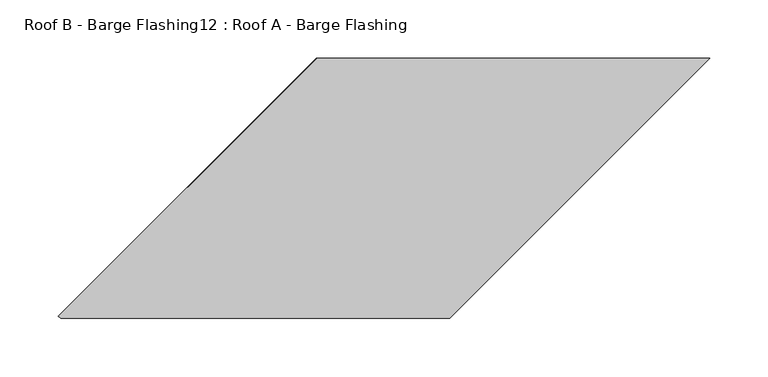
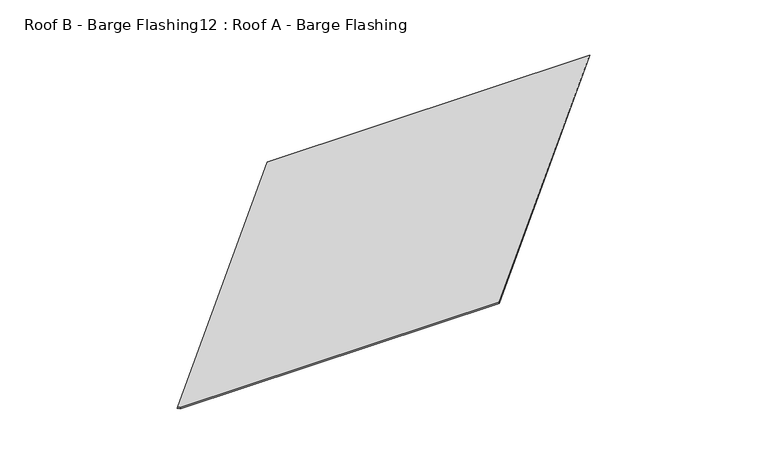
"""IFC4 building model written with IfcOpenShell, lengths in millimetres: proxy geometry, Roof B - Barge Flashing12 : Roof A - Barge Flashing."""

from ifc_helpers import new_model, si_unit, origin, place, context, project, spatial, faceted_brep, source, transform, mapped, element, save


def roof_b_barge_flashing12_roof_a_barge_flashing_d1e78f4f(model_context):
    return source(origin(), model_context, "Body", "Brep", [
        faceted_brep([(45618.7574475, -3322.1300754, 3147.9403681), (45397.2573519, -3543.6301709, 3088.5895964), (45399.0500008, -3545.4228199, 3088.1092575), (45733.0464631, -3545.4228199, 3088.1092575), (45956.3392076, -3322.1300754, 3147.9403681), (45397.0502967, -3543.4231157, 3086.9886348), (45618.343337, -3322.1300754, 3146.2839262), (45955.9250971, -3322.1300754, 3146.2839262), (45732.6323526, -3545.4228199, 3086.4528156), (45399.0500008, -3545.4228199, 3086.4528156)], [[[0, 1, 2, 3, 4]], [[5, 1, 0, 6]], [[5, 6, 7, 8, 9]], [[7, 4, 3, 8]], [[1, 5, 9, 2]], [[0, 4, 7, 6]], [[3, 2, 9, 8]]]),
    ])


if __name__ == "__main__":
    model = new_model("IFC4")
    model_context = context("Model", 3, world=origin())
    ifc_project = project(units=[si_unit("LENGTHUNIT", "METRE", prefix="MILLI")], contexts=[model_context])
    site = spatial("IfcSite", under=ifc_project)
    building = spatial("IfcBuilding", under=site)
    placement = place(None, origin())
    roof_b_barge_flashing12_roof_a_barge_flashing_shape = roof_b_barge_flashing12_roof_a_barge_flashing_d1e78f4f(model_context)
    element("IfcBuildingElementProxy", 1, Name="Roof B - Barge Flashing12 : Roof A - Barge Flashing", ObjectType="Roof B - Barge Flashing12 : Roof A - Barge Flashing", at=placement, inside=building, context=model_context, shape_type="MappedRepresentation", body=[
        mapped(roof_b_barge_flashing12_roof_a_barge_flashing_shape, transform((0.0, 0.0, 0.0), x_axis=(1.0, 0.0, 0.0), y_axis=(0.0, 1.0, 0.0), z_axis=(0.0, 0.0, 1.0))),
    ])
    save(model, "model.ifc")
